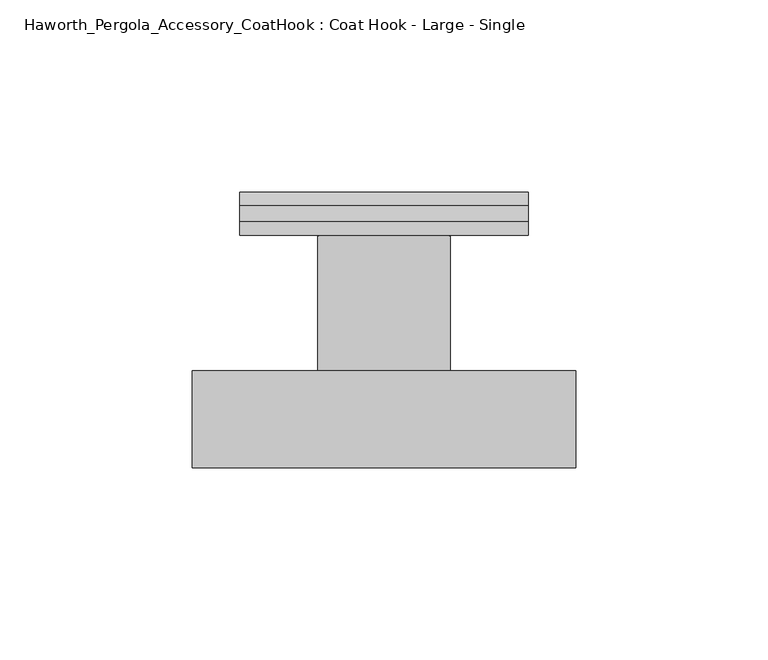
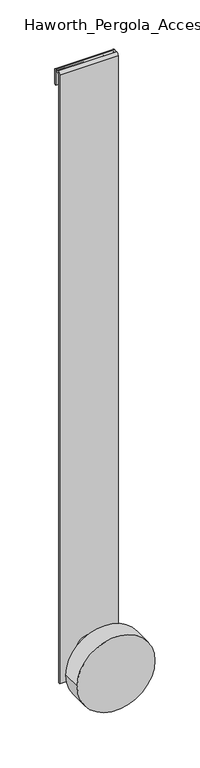
"""IFC4 building model written with IfcOpenShell, lengths in millimetres: furniture geometry, Haworth_Pergola_Accessory_CoatHook : Coat Hook - Large - Single."""

from ifc_helpers import new_model, si_unit, point, frame, frame_2d, origin, place, context, project, spatial, polyline, circle_curve, trimmed, segment, composite_curve, outline, extrude, source, transform, mapped, element, save


def haworth_pergola_accessory_coathook_coat_hook_large_single_534c766a(model_context):
    return source(origin(), model_context, "Body", "SweptSolid", [
        extrude(outline(composite_curve([segment(trimmed(circle_curve(frame_2d((1648.5669852, 0.0)), 49.999855), [point((1648.5669852, -49.999855))], [point((1648.5669852, 49.999855))], False, "CARTESIAN"), True, "CONTINUOUS"), segment(trimmed(circle_curve(frame_2d((1648.5669852, 0.0)), 49.999855), [point((1648.5669852, 49.999855))], [point((1648.5669852, -49.999855))], False, "CARTESIAN"), True, "CONTINUOUS")], self_intersect=False)), frame((0.0, -71.5864649, 0.0), z_axis=(0.0, 1.0, 0.0), x_axis=(0.0, 0.0, 1.0)), (0.0, 0.0, 1.0), 25.1955557),
        extrude(outline(composite_curve([segment(trimmed(circle_curve(frame_2d((1648.5669852, 0.0)), 17.2501099), [point((1648.5669852, -17.2501099))], [point((1648.5669852, 17.2501099))], False, "CARTESIAN"), True, "CONTINUOUS"), segment(trimmed(circle_curve(frame_2d((1648.5669852, 0.0)), 17.2501099), [point((1648.5669852, 17.2501099))], [point((1648.5669852, -17.2501099))], False, "CARTESIAN"), True, "CONTINUOUS")], self_intersect=False)), frame((0.0, -46.3909092, 0.0), z_axis=(0.0, 1.0, 0.0), x_axis=(0.0, 0.0, 1.0)), (0.0, 0.0, 1.0), 35.1022214),
        extrude(outline(composite_curve([segment(trimmed(circle_curve(frame_2d((-7.6286878, 2438.4000001)), 3.66), [point((-11.2886878, 2438.4000001))], [point((-7.6286878, 2442.0600001))], False, "CARTESIAN"), True, "CONTINUOUS"), segment(polyline([(-7.6286878, 2442.0600001), (-3.5352885, 2442.0600001)]), True, "CONTINUOUS"), segment(trimmed(circle_curve(frame_2d((-3.6299109, 2438.4)), 3.661223), [point((-3.5352885, 2442.0600001))], [point((0.0313121, 2438.4))], False, "CARTESIAN"), True, "CONTINUOUS"), segment(polyline([(0.0313121, 2438.4), (0.0313121, 2419.61), (-2.6286879, 2419.61), (-2.6286879, 2438.4)]), True, "CONTINUOUS"), segment(trimmed(circle_curve(frame_2d((-3.6286879, 2438.4)), 1.0), [point((-2.6286879, 2438.4))], [point((-3.6286879, 2439.4))], True, "CARTESIAN"), True, "CONTINUOUS"), segment(polyline([(-3.6286879, 2439.4), (-7.6286878, 2439.4)]), True, "CONTINUOUS"), segment(trimmed(circle_curve(frame_2d((-7.6286878, 2438.4)), 1.0), [point((-7.6286878, 2439.4))], [point((-8.6286879, 2438.4))], True, "CARTESIAN"), True, "CONTINUOUS"), segment(polyline([(-8.6286879, 2438.4), (-8.6286879, 1611.3072876), (-11.2886878, 1611.3072876), (-11.2886878, 2438.4000001)]), True, "CONTINUOUS")], self_intersect=False)), frame((-37.5000366, 0.0, 0.0), z_axis=(1.0, 0.0, 0.0), x_axis=(0.0, 1.0, 0.0)), (0.0, 0.0, 1.0), 75.0000732),
    ])


if __name__ == "__main__":
    model = new_model("IFC4")
    model_context = context("Model", 3, world=origin())
    ifc_project = project(units=[si_unit("LENGTHUNIT", "METRE", prefix="MILLI")], contexts=[model_context])
    site = spatial("IfcSite", under=ifc_project)
    building = spatial("IfcBuilding", under=site)
    placement = place(None, origin())
    haworth_pergola_accessory_coathook_coat_hook_large_single_shape = haworth_pergola_accessory_coathook_coat_hook_large_single_534c766a(model_context)
    element("IfcFurniture", 1, ObjectType="Haworth_Pergola_Accessory_CoatHook : Coat Hook - Large - Single", at=placement, inside=building, context=model_context, shape_type="MappedRepresentation", body=[
        mapped(haworth_pergola_accessory_coathook_coat_hook_large_single_shape, transform((0.0, 0.0, 0.0), x_axis=(1.0, 0.0, 0.0), y_axis=(0.0, 1.0, 0.0), z_axis=(0.0, 0.0, 1.0))),
    ])
    save(model, "model.ifc")
